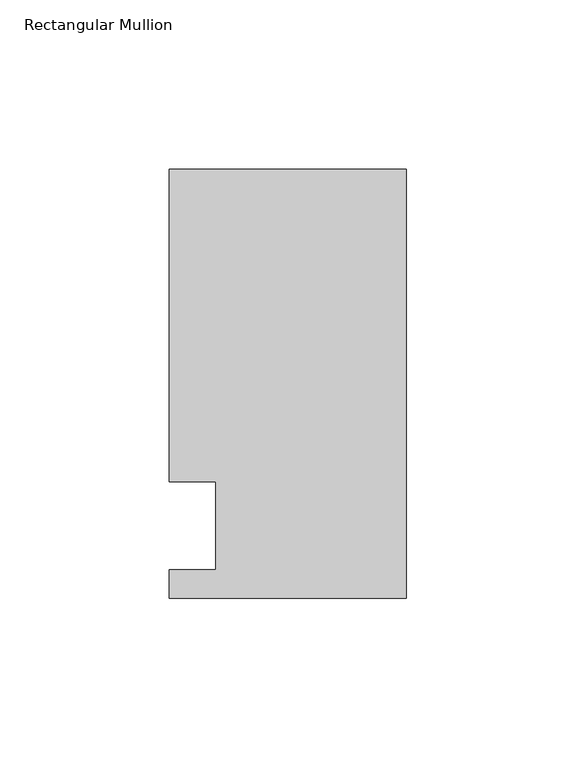
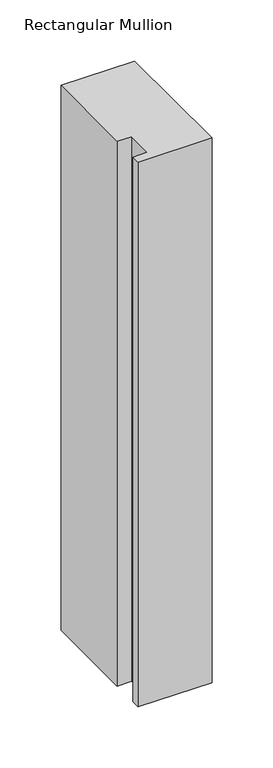
"""IFC4 building model written with IfcOpenShell, lengths in millimetres: member geometry, Rectangular Mullion."""

from ifc_helpers import new_model, si_unit, frame, origin, place, context, project, spatial, polyline, outline, extrude, source, transform, mapped, element, save


def rectangular_mullion_0ffb1a47(model_context):
    return source(origin(), model_context, "Body", "SweptSolid", [
        extrude(outline(polyline([(-69.85, -0.0111125), (-69.85, 8.3454875), (-56.2570313, 8.3454875), (-56.2570313, 34.3296875), (-69.85, 34.3296875), (-69.85, 126.4808875), (0.0, 126.4808875), (0.0, -0.0111125), (-69.85, -0.0111125)])), frame((0.0, 0.0, -545.0416667), z_axis=(0.0, 0.0, 1.0), x_axis=(1.0, 0.0, 0.0)), (0.0, 0.0, 1.0), 545.0416667),
    ])


if __name__ == "__main__":
    model = new_model("IFC4")
    model_context = context("Model", 3, world=origin())
    ifc_project = project(units=[si_unit("LENGTHUNIT", "METRE", prefix="MILLI")], contexts=[model_context])
    site = spatial("IfcSite", under=ifc_project)
    building = spatial("IfcBuilding", under=site)
    placement = place(None, origin())
    rectangular_mullion_shape = rectangular_mullion_0ffb1a47(model_context)
    element("IfcMember", 1, ObjectType="Rectangular Mullion", at=placement, inside=building, context=model_context, shape_type="MappedRepresentation", body=[
        mapped(rectangular_mullion_shape, transform((0.0, 0.0, 0.0), x_axis=(1.0, 0.0, 0.0), y_axis=(0.0, 1.0, 0.0), z_axis=(0.0, 0.0, 1.0))),
    ])
    save(model, "model.ifc")
